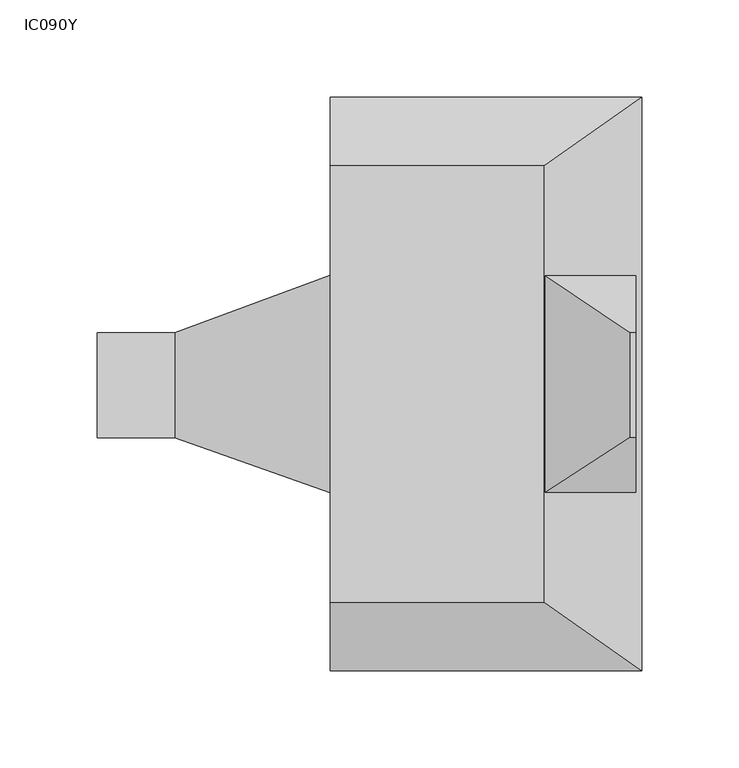
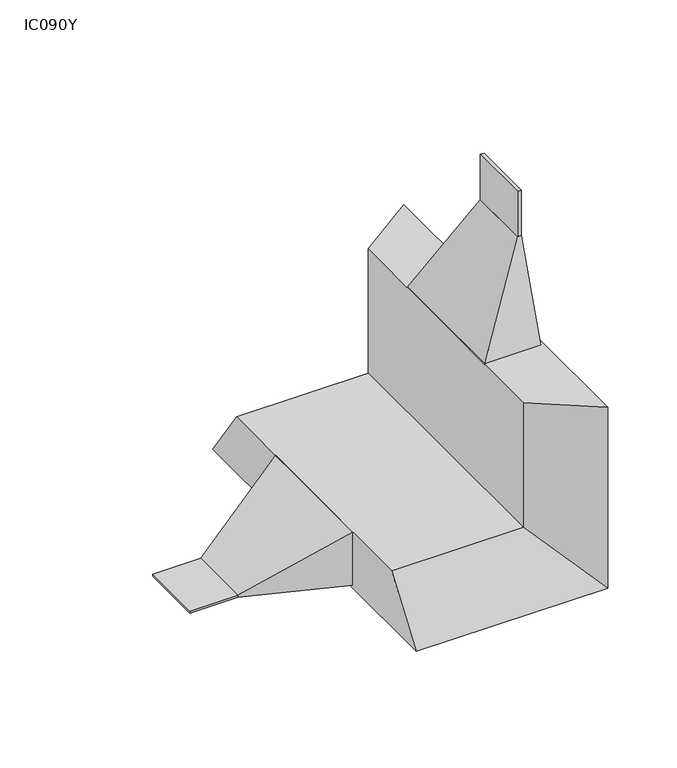
"""IFC4 building model written with IfcOpenShell, lengths in millimetres: proxy geometry, IC090Y."""

from ifc_helpers import new_model, si_unit, frame, origin, place, context, project, spatial, polyline, outline, extrude, faceted_brep, source, transform, mapped, element, save


def ic090y_aef16b15(model_context):
    return source(origin(), model_context, "Body", "SolidModel", [
        faceted_brep([(160.0, 147.5, 0.0), (160.0, -147.5, 0.0), (0.0, -147.5, 0.0), (0.0, 147.5, 0.0), (0.0, -112.2, 50.0), (0.0, 112.2, 50.0), (110.0, -112.2, 50.0), (110.0, 112.2, 50.0), (110.0, -112.2, 160.0), (110.0, 112.2, 160.0), (160.0, -147.5, 160.0), (160.0, 147.5, 160.0)], [[[0, 1, 2, 3]], [[3, 2, 4, 5]], [[4, 6, 7, 5]], [[6, 8, 9, 7]], [[10, 11, 9, 8]], [[1, 0, 11, 10]], [[1, 6, 4, 2]], [[6, 1, 10, 8]], [[0, 7, 9, 11]], [[7, 0, 3, 5]]]),
        extrude(outline(polyline([(157.1025878, 26.3376741), (157.1025878, -27.5213222), (154.1025878, -27.5213222), (154.1025878, 26.3376741), (157.1025878, 26.3376741)])), frame((0.0, 0.0, 240.0), z_axis=(0.0, 0.0, 1.0), x_axis=(1.0, 0.0, 0.0)), (0.0, 0.0, 1.0), 40.0),
        faceted_brep([(157.1025878, 26.3376741, 240.0), (157.1025878, -27.5213222, 240.0), (157.1025878, -55.918544, 160.0), (157.1025878, 55.9603611, 160.0), (154.1025878, 26.3376741, 240.0), (154.1025878, -27.5213222, 240.0), (110.1025878, -55.918544, 160.0), (110.1025878, 55.9603611, 160.0)], [[[0, 1, 2, 3]], [[1, 0, 4, 5]], [[2, 1, 5, 6]], [[3, 2, 6, 7]], [[0, 3, 7, 4]], [[5, 4, 7, 6]]]),
        extrude(outline(polyline([(-80.0, 26.3376741), (-80.0, -27.5213222), (-120.0, -27.5213222), (-120.0, 26.3376741), (-80.0, 26.3376741)])), frame((0.0, 0.0, 3.0), z_axis=(0.0, 0.0, 1.0), x_axis=(1.0, 0.0, 0.0)), (0.0, 0.0, 1.0), 2.0),
        faceted_brep([(0.0, -55.918544, 3.0), (-80.0, -27.5213222, 3.0), (-80.0, 26.3376741, 3.0), (0.0, 55.9603611, 3.0), (0.0, 55.9603611, 50.0), (0.0, -55.918544, 50.0), (-80.0, 26.3376741, 5.0), (-80.0, -27.5213222, 5.0)], [[[0, 1, 2, 3]], [[0, 3, 4, 5]], [[3, 2, 6, 4]], [[2, 1, 7, 6]], [[1, 0, 5, 7]], [[5, 4, 6, 7]]]),
    ])


if __name__ == "__main__":
    model = new_model("IFC4")
    model_context = context("Model", 3, world=origin())
    ifc_project = project(units=[si_unit("LENGTHUNIT", "METRE", prefix="MILLI")], contexts=[model_context])
    site = spatial("IfcSite", under=ifc_project)
    building = spatial("IfcBuilding", under=site)
    placement = place(None, origin())
    ic090y_shape = ic090y_aef16b15(model_context)
    element("IfcBuildingElementProxy", 1, Name="IC090Y", ObjectType="IC090Y", at=placement, inside=building, context=model_context, shape_type="MappedRepresentation", body=[
        mapped(ic090y_shape, transform((0.0, 0.0, 0.0), x_axis=(1.0, 0.0, 0.0), y_axis=(0.0, 1.0, 0.0), z_axis=(0.0, 0.0, 1.0))),
    ])
    save(model, "model.ifc")
